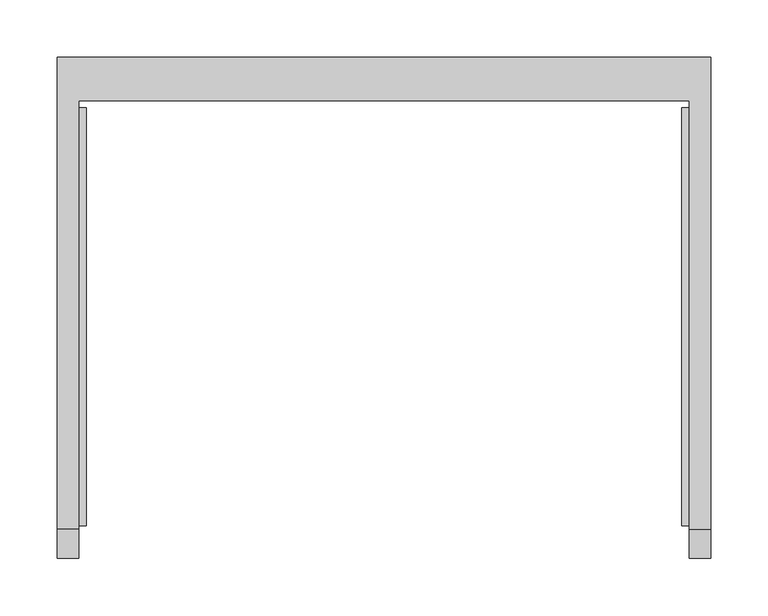
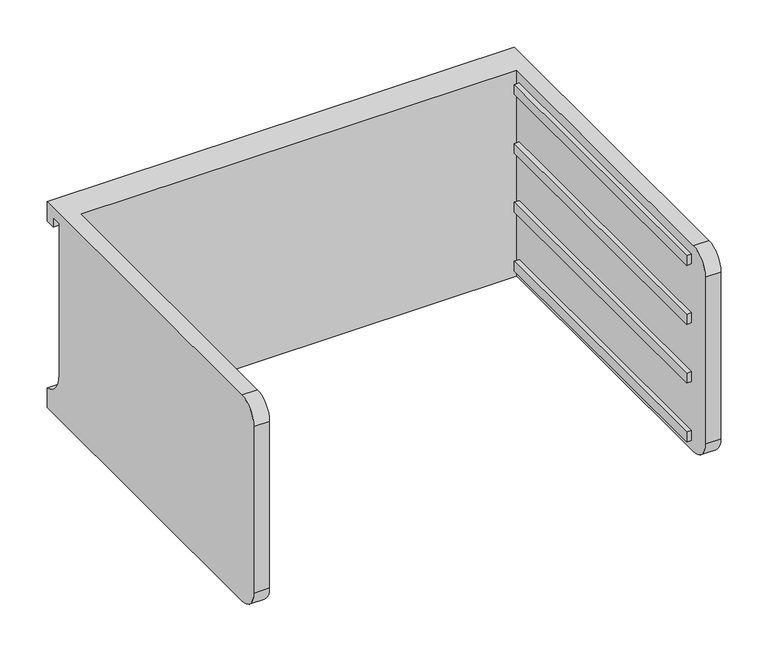
"""IFC4 building model written with IfcOpenShell, lengths in millimetres: furniture geometry."""

from ifc_helpers import new_model, si_unit, frame, origin, place, context, project, spatial, polyline, circle_curve, outline, extrude, source, transform, mapped, element, save
from ifc_brep_helpers import plane_surface, cylinder_surface, revolved_surface, advanced_brep


def furniture_d7c66c7c(model_context):
    return source(origin(), model_context, "Body", "SolidModel", [
        advanced_brep(
        [(-171.7622951, -331.6523397, 590.55), (-171.7622951, -357.0523397, 565.15), (-171.7622951, -357.0523397, 349.25), (-171.7622951, -331.6523397, 323.85), (-171.7622951, 43.0421197, 323.85), (-171.7622951, 43.0421197, 590.55), (-190.8122951, -331.6523397, 323.85), (-190.8122951, -357.0523397, 349.25), (-190.8122951, -357.0523397, 565.15), (-190.8122951, -331.6523397, 590.55), (-190.8122951, 81.0976603, 590.55), (-190.8122951, 81.0976603, 565.15), (-190.8122951, 68.4421197, 565.15), (-190.8122951, 68.4421197, 577.85), (-190.8122951, 55.7421197, 577.85), (-190.8122951, 55.7421197, 381.79502), (-190.8122951, 81.0976603, 349.25), (-190.8122951, 81.0976603, 323.85), (380.6877049, 81.0976603, 323.85), (380.6877049, -331.6523397, 323.85), (361.6377049, -331.6523397, 323.85), (361.6377049, 43.0421197, 323.85), (361.6377049, 43.0421197, 590.55), (361.6377049, -331.6523397, 590.55), (380.6877049, -331.6523397, 590.55), (380.6877049, 81.0976603, 590.55), (380.6877049, 81.0976603, 349.25), (380.6877049, 55.7421197, 381.79502), (380.6877049, 55.7421197, 577.85), (380.6877049, 68.4421197, 577.85), (380.6877049, 68.4421197, 565.15), (380.6877049, 81.0976603, 565.15), (380.6877049, -357.0523397, 565.15), (380.6877049, -357.0523397, 349.25), (361.6377049, -357.0523397, 349.25), (361.6377049, -357.0523397, 565.15)],
        [
            (0, 1, circle_curve(frame((-171.7622951, -331.6523397, 565.15), z_axis=(1.0, 0.0, 0.0), x_axis=(0.0, 0.0, 1.0)), 25.4)),
            (1, 2),
            (2, 3, circle_curve(frame((-171.7622951, -331.6523397, 349.25), z_axis=(1.0, 0.0, 0.0), x_axis=(0.0, 0.0, 1.0)), 25.4)),
            (3, 4),
            (4, 5),
            (5, 0),
            (6, 7, circle_curve(frame((-190.8122951, -331.6523397, 349.25), z_axis=(-1.0, 0.0, 0.0), x_axis=(0.0, 0.0, 1.0)), 25.4)),
            (7, 8),
            (8, 9, circle_curve(frame((-190.8122951, -331.6523397, 565.15), z_axis=(-1.0, 0.0, 0.0), x_axis=(0.0, 0.0, 1.0)), 25.4)),
            (9, 10),
            (10, 11),
            (11, 12),
            (12, 13),
            (13, 14),
            (14, 15),
            (15, 16, circle_curve(frame((-190.8122951, 89.3064162, 381.79502), z_axis=(1.0, 0.0, 0.0), x_axis=(0.0, 0.0, 1.0)), 33.5642965)),
            (16, 17),
            (17, 6),
            (0, 9),
            (8, 1),
            (7, 2),
            (6, 3),
            (17, 18),
            (18, 19),
            (19, 20),
            (20, 21),
            (21, 4),
            (5, 22),
            (22, 23),
            (23, 24),
            (24, 25),
            (25, 10),
            (18, 26),
            (26, 27, circle_curve(frame((380.6877049, 89.3064162, 381.79502), z_axis=(-1.0, 0.0, 0.0), x_axis=(0.0, 0.0, 1.0)), 33.5642965)),
            (27, 28),
            (28, 29),
            (29, 30),
            (30, 31),
            (31, 25),
            (24, 32, circle_curve(frame((380.6877049, -331.6523397, 565.15), z_axis=(1.0, 0.0, 0.0), x_axis=(0.0, 0.0, 1.0)), 25.4)),
            (32, 33),
            (33, 19, circle_curve(frame((380.6877049, -331.6523397, 349.25), z_axis=(1.0, 0.0, 0.0), x_axis=(0.0, 0.0, 1.0)), 25.4)),
            (16, 26),
            (15, 27),
            (14, 28),
            (13, 29),
            (12, 30),
            (11, 31),
            (21, 22),
            (20, 34, circle_curve(frame((361.6377049, -331.6523397, 349.25), z_axis=(-1.0, 0.0, 0.0), x_axis=(0.0, 0.0, 1.0)), 25.4)),
            (34, 35),
            (35, 23, circle_curve(frame((361.6377049, -331.6523397, 565.15), z_axis=(-1.0, 0.0, 0.0), x_axis=(0.0, 0.0, 1.0)), 25.4)),
            (35, 32),
            (34, 33),
        ],
        [
            plane_surface(frame((-171.7622951, -331.6523397, 590.55), z_axis=(1.0, 0.0, 0.0), x_axis=(0.0, -1.0, 0.0))),
            plane_surface(frame((-190.8122951, -331.6523397, 590.55), z_axis=(-1.0, 0.0, 0.0), x_axis=(0.0, 1.0, 0.0))),
            cylinder_surface(frame((-190.8122951, -331.6523397, 565.15), z_axis=(1.0, 0.0, 0.0), x_axis=(0.0, 0.0, 1.0)), 25.4),
            plane_surface(frame((-171.7622951, -357.0523397, 565.15), z_axis=(0.0, -1.0, 0.0), x_axis=(-1.0, 0.0, 0.0))),
            cylinder_surface(frame((-190.8122951, -331.6523397, 349.25), z_axis=(1.0, 0.0, 0.0), x_axis=(0.0, 0.0, 1.0)), 25.4),
            plane_surface(frame((-171.7622951, -331.6523397, 323.85), z_axis=(0.0, 0.0, -1.0), x_axis=(-1.0, 0.0, 0.0))),
            plane_surface(frame((-171.7622951, 43.0421197, 590.55), z_axis=(0.0, 0.0, 1.0), x_axis=(-1.0, 0.0, 0.0))),
            plane_surface(frame((380.6877049, 81.0976603, 349.25), z_axis=(1.0, 0.0, 0.0), x_axis=(0.0, 0.0, 1.0))),
            plane_surface(frame((380.6877049, 81.0976603, 323.85), z_axis=(0.0, 1.0, 0.0), x_axis=(-1.0, 0.0, 0.0))),
            revolved_surface(polyline([(-190.8122951, 89.3064162, 415.35931650000003), (380.68770489999997, 89.3064162, 415.35931650000003)]), (-190.8122951, 89.3064162, 381.79502), (-1.0, 0.0, 0.0)),
            plane_surface(frame((380.6877049, 55.7421197, 381.79502), z_axis=(0.0, 1.0, 0.0), x_axis=(-1.0, 0.0, 0.0))),
            plane_surface(frame((380.6877049, 55.7421197, 577.85), z_axis=(0.0, 0.0, -1.0), x_axis=(-1.0, 0.0, 0.0))),
            plane_surface(frame((380.6877049, 68.4421197, 577.85), z_axis=(0.0, -1.0, 0.0), x_axis=(-1.0, 0.0, 0.0))),
            plane_surface(frame((380.6877049, 68.4421197, 565.15), z_axis=(0.0, 0.0, -1.0), x_axis=(-1.0, 0.0, 0.0))),
            plane_surface(frame((380.6877049, 81.0976603, 565.15), z_axis=(0.0, 1.0, 0.0), x_axis=(-1.0, 0.0, 0.0))),
            plane_surface(frame((380.6877049, 43.0421197, 590.55), z_axis=(0.0, -1.0, 0.0), x_axis=(-1.0, 0.0, 0.0))),
            plane_surface(frame((361.6377049, -331.6523397, 590.55), z_axis=(-1.0, 0.0, 0.0), x_axis=(0.0, 1.0, 0.0))),
            cylinder_surface(frame((361.6377049, -331.6523397, 565.15), z_axis=(1.0, 0.0, 0.0), x_axis=(0.0, 0.0, 1.0)), 25.4),
            plane_surface(frame((380.6877049, -357.0523397, 565.15), z_axis=(0.0, -1.0, 0.0), x_axis=(-1.0, 0.0, 0.0))),
            cylinder_surface(frame((361.6377049, -331.6523397, 349.25), z_axis=(1.0, 0.0, 0.0), x_axis=(0.0, 0.0, 1.0)), 25.4),
        ],
        [
            (0, [[1, 2, 3, 4, 5, 6]]),
            (1, [[7, 8, 9, 10, 11, 12, 13, 14, 15, 16, 17, 18]]),
            (2, [[-1, 19, -9, 20]]),
            (3, [[-2, -20, -8, 21]]),
            (4, [[-3, -21, -7, 22]]),
            (5, [[-4, -22, -18, 23, 24, 25, 26, 27]]),
            (6, [[-6, 28, 29, 30, 31, 32, -10, -19]]),
            (7, [[-24, 33, 34, 35, 36, 37, 38, 39, -31, 40, 41, 42]]),
            (8, [[-33, -23, -17, 43]]),
            (9, [[-34, -43, -16, 44]]),
            (10, [[-35, -44, -15, 45]]),
            (11, [[-36, -45, -14, 46]]),
            (12, [[-37, -46, -13, 47]]),
            (13, [[-38, -47, -12, 48]]),
            (14, [[-39, -48, -11, -32]]),
            (15, [[-5, -27, 49, -28]]),
            (16, [[-29, -49, -26, 50, 51, 52]]),
            (17, [[-40, -30, -52, 53]]),
            (18, [[-41, -53, -51, 54]]),
            (19, [[-42, -54, -50, -25]]),
        ],
    ),
        extrude(outline(polyline([(355.2877049, -328.4773397), (355.2877049, 36.6921197), (361.6377049, 36.6921197), (361.6377049, -328.4773397), (355.2877049, -328.4773397)])), frame((0.0, 0.0, 412.75), z_axis=(0.0, 0.0, 1.0), x_axis=(1.0, 0.0, 0.0)), (0.0, 0.0, 1.0), 12.7),
        extrude(outline(polyline([(355.2877049, -328.4773397), (355.2877049, 36.6921197), (361.6377049, 36.6921197), (361.6377049, -328.4773397), (355.2877049, -328.4773397)])), frame((0.0, 0.0, 488.95), z_axis=(0.0, 0.0, 1.0), x_axis=(1.0, 0.0, 0.0)), (0.0, 0.0, 1.0), 12.7),
        extrude(outline(polyline([(355.2877049, -328.4773397), (355.2877049, 36.6921197), (361.6377049, 36.6921197), (361.6377049, -328.4773397), (355.2877049, -328.4773397)])), frame((0.0, 0.0, 565.15), z_axis=(0.0, 0.0, 1.0), x_axis=(1.0, 0.0, 0.0)), (0.0, 0.0, 1.0), 12.7),
        extrude(outline(polyline([(355.2877049, -328.4773397), (355.2877049, 36.6921197), (361.6377049, 36.6921197), (361.6377049, -328.4773397), (355.2877049, -328.4773397)])), frame((0.0, 0.0, 336.55), z_axis=(0.0, 0.0, 1.0), x_axis=(1.0, 0.0, 0.0)), (0.0, 0.0, 1.0), 12.7),
        extrude(outline(polyline([(-171.7622951, -328.4773397), (-171.7622951, 36.6921197), (-165.4122951, 36.6921197), (-165.4122951, -328.4773397), (-171.7622951, -328.4773397)])), frame((0.0, 0.0, 412.75), z_axis=(0.0, 0.0, 1.0), x_axis=(1.0, 0.0, 0.0)), (0.0, 0.0, 1.0), 12.7),
        extrude(outline(polyline([(-171.7622951, -328.4773397), (-171.7622951, 36.6921197), (-165.4122951, 36.6921197), (-165.4122951, -328.4773397), (-171.7622951, -328.4773397)])), frame((0.0, 0.0, 488.95), z_axis=(0.0, 0.0, 1.0), x_axis=(1.0, 0.0, 0.0)), (0.0, 0.0, 1.0), 12.7),
        extrude(outline(polyline([(-171.7622951, -328.4773397), (-171.7622951, 36.6921197), (-165.4122951, 36.6921197), (-165.4122951, -328.4773397), (-171.7622951, -328.4773397)])), frame((0.0, 0.0, 565.15), z_axis=(0.0, 0.0, 1.0), x_axis=(1.0, 0.0, 0.0)), (0.0, 0.0, 1.0), 12.7),
        extrude(outline(polyline([(-171.7622951, -328.4773397), (-171.7622951, 36.6921197), (-165.4122951, 36.6921197), (-165.4122951, -328.4773397), (-171.7622951, -328.4773397)])), frame((0.0, 0.0, 336.55), z_axis=(0.0, 0.0, 1.0), x_axis=(1.0, 0.0, 0.0)), (0.0, 0.0, 1.0), 12.7),
    ])


if __name__ == "__main__":
    model = new_model("IFC4")
    model_context = context("Model", 3, world=origin())
    ifc_project = project(units=[si_unit("LENGTHUNIT", "METRE", prefix="MILLI")], contexts=[model_context])
    site = spatial("IfcSite", under=ifc_project)
    building = spatial("IfcBuilding", under=site)
    placement = place(None, origin())
    furniture_shape = furniture_d7c66c7c(model_context)
    element("IfcFurniture", 1, at=placement, inside=building, context=model_context, shape_type="MappedRepresentation", body=[
        mapped(furniture_shape, transform((0.0, 0.0, 0.0), x_axis=(1.0, 0.0, 0.0), y_axis=(0.0, 1.0, 0.0), z_axis=(0.0, 0.0, 1.0))),
    ])
    save(model, "model.ifc")
